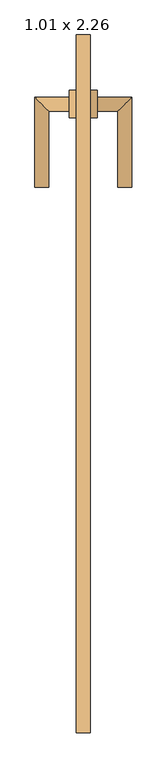
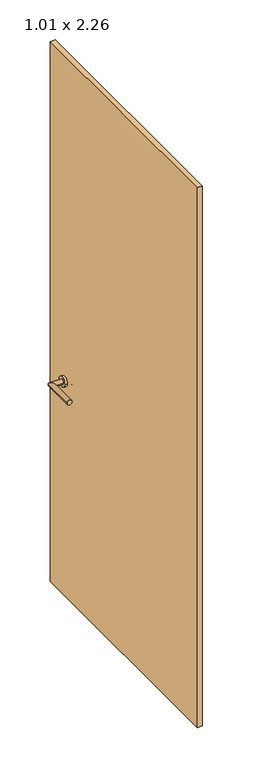
"""IFC4 building model written with IfcOpenShell, lengths in millimetres: door geometry, 1.01 x 2.26."""

from ifc_helpers import new_model, si_unit, point, frame, frame_2d, origin, origin_with_axes, place, context, project, spatial, polyline, circle_curve, ellipse_curve, trimmed, segment, composite_curve, outline, extrude, source, transform, mapped, element, save
from ifc_brep_helpers import plane_surface, cylinder_surface, advanced_brep


def door_1_01_x_2_26_c49b1406(model_context):
    return source(origin(), model_context, "Body", "SolidModel", [
        advanced_brep(
        [(475.0, 1054.4346141, 900.0), (475.0, 1034.4346141, 900.0), (425.0, 1054.4346141, 900.0), (445.0, 1034.4346141, 900.0), (425.0, 924.4346141, 900.0), (445.0, 924.4346141, 900.0)],
        [
            (0, 1, circle_curve(frame((475.0, 1044.4346141, 900.0), z_axis=(1.0, 0.0, 0.0), x_axis=(0.0, -1.0000000000000002, 0.0)), 10.0)),
            (1, 0, circle_curve(frame((475.0, 1044.4346141, 900.0), z_axis=(1.0, 0.0, 0.0), x_axis=(0.0, -1.0000000000000002, 0.0)), 10.0)),
            (0, 2),
            (2, 3, ellipse_curve(frame((435.0, 1044.4346141, 900.0), z_axis=(0.7071067811865551, 0.7071067811865399, 0.0), x_axis=(0.7071067811865399, -0.707106781186555, 0.0)), 14.1421356, 10.0)),
            (3, 1),
            (3, 2, ellipse_curve(frame((435.0, 1044.4346141, 900.0), z_axis=(0.7071067811865551, 0.7071067811865399, 0.0), x_axis=(0.7071067811865399, -0.707106781186555, 0.0)), 14.1421356, 10.0)),
            (4, 5, circle_curve(frame((435.0, 924.4346141, 900.0), z_axis=(0.0, -1.0, 0.0), x_axis=(1.0000000000000002, 0.0, 0.0)), 10.0)),
            (5, 4, circle_curve(frame((435.0, 924.4346141, 900.0), z_axis=(0.0, -1.0, 0.0), x_axis=(1.0000000000000002, 0.0, 0.0)), 10.0)),
            (2, 4),
            (5, 3),
        ],
        [
            plane_surface(frame((475.0, 1044.4346141, -387.7526403), z_axis=(1.0, 0.0, 0.0), x_axis=(0.0, 0.0, 1.0))),
            cylinder_surface(frame((475.0, 1044.4346141, 900.0), z_axis=(1.0000000000000002, 0.0, 0.0), x_axis=(0.0, -1.0000000000000002, 0.0)), 10.0),
            plane_surface(frame((435.0, 924.4346141, -387.7526403), z_axis=(0.0, -1.0, 0.0), x_axis=(0.0, 0.0, 1.0))),
            cylinder_surface(frame((435.0, 1044.4346141, 900.0), z_axis=(0.0, 1.0000000000000002, 0.0), x_axis=(1.0000000000000002, 0.0, 0.0)), 10.0),
        ],
        [
            (0, [[1, 2]]),
            (1, [[-1, 3, 4, 5]]),
            (1, [[-2, -5, 6, -3]]),
            (2, [[7, 8]]),
            (3, [[-4, 9, -8, 10]]),
            (3, [[-6, -10, -7, -9]]),
        ],
    ),
        extrude(outline(composite_curve([segment(trimmed(circle_curve(frame_2d((1044.4346141, 900.0)), 20.0), [point((1064.4346141, 900.0))], [point((1024.4346141, 900.0))], False, "CARTESIAN"), True, "CONTINUOUS"), segment(trimmed(circle_curve(frame_2d((1044.4346141, 900.0)), 20.0), [point((1024.4346141, 900.0))], [point((1064.4346141, 900.0))], False, "CARTESIAN"), True, "CONTINUOUS")], self_intersect=False)), frame((475.0, 0.0, 0.0), z_axis=(1.0, 0.0, 0.0), x_axis=(0.0, 1.0, 0.0)), (0.0, 0.0, 1.0), 10.0),
        advanced_brep(
        [(515.0, 1034.4346141, 900.0), (515.0, 1054.4346141, 900.0), (545.0, 1034.4346141, 900.0), (565.0, 1054.4346141, 900.0), (545.0, 924.4346141, 900.0), (565.0, 924.4346141, 900.0)],
        [
            (0, 1, circle_curve(frame((515.0, 1044.4346141, 900.0), z_axis=(-1.0, 0.0, 0.0), x_axis=(0.0, 1.0000000000000002, 0.0)), 10.0)),
            (1, 0, circle_curve(frame((515.0, 1044.4346141, 900.0), z_axis=(-1.0, 0.0, 0.0), x_axis=(0.0, 1.0000000000000002, 0.0)), 10.0)),
            (0, 2),
            (2, 3, ellipse_curve(frame((555.0, 1044.4346141, 900.0), z_axis=(-0.7071067811865488, 0.7071067811865462, 0.0), x_axis=(-0.7071067811865462, -0.7071067811865487, 0.0)), 14.1421356, 10.0)),
            (3, 1),
            (3, 2, ellipse_curve(frame((555.0, 1044.4346141, 900.0), z_axis=(-0.7071067811865488, 0.7071067811865462, 0.0), x_axis=(-0.7071067811865462, -0.7071067811865487, 0.0)), 14.1421356, 10.0)),
            (4, 5, circle_curve(frame((555.0, 924.4346141, 900.0), z_axis=(0.0, -1.0, 0.0), x_axis=(1.0000000000000002, 0.0, 0.0)), 10.0)),
            (5, 4, circle_curve(frame((555.0, 924.4346141, 900.0), z_axis=(0.0, -1.0, 0.0), x_axis=(1.0000000000000002, 0.0, 0.0)), 10.0)),
            (2, 4),
            (5, 3),
        ],
        [
            plane_surface(frame((515.0, 1044.4346141, -387.7526403), z_axis=(-1.0, 0.0, 0.0), x_axis=(0.0, 0.0, 1.0))),
            cylinder_surface(frame((515.0, 1044.4346141, 900.0), z_axis=(-1.0000000000000002, 0.0, 0.0), x_axis=(0.0, 1.0000000000000002, 0.0)), 10.0),
            plane_surface(frame((555.0, 924.4346141, -387.7526403), z_axis=(0.0, -1.0, 0.0), x_axis=(0.0, 0.0, 1.0))),
            cylinder_surface(frame((555.0, 1044.4346141, 900.0), z_axis=(0.0, 1.0000000000000002, 0.0), x_axis=(1.0000000000000002, 0.0, 0.0)), 10.0),
        ],
        [
            (0, [[1, 2]]),
            (1, [[-1, 3, 4, 5]]),
            (1, [[-2, -5, 6, -3]]),
            (2, [[7, 8]]),
            (3, [[-4, 9, -8, 10]]),
            (3, [[-6, -10, -7, -9]]),
        ],
    ),
        extrude(outline(composite_curve([segment(trimmed(circle_curve(frame_2d((1044.4346141, 900.0)), 20.0), [point((1064.4346141, 900.0))], [point((1024.4346141, 900.0))], False, "CARTESIAN"), True, "CONTINUOUS"), segment(trimmed(circle_curve(frame_2d((1044.4346141, 900.0)), 20.0), [point((1024.4346141, 900.0))], [point((1064.4346141, 900.0))], False, "CARTESIAN"), True, "CONTINUOUS")], self_intersect=False)), frame((505.0, 0.0, 0.0), z_axis=(1.0, 0.0, 0.0), x_axis=(0.0, 1.0, 0.0)), (0.0, 0.0, 1.0), 10.0),
        extrude(outline(polyline([(485.0, 134.4346141), (485.0, 1144.4346141), (505.0, 1144.4346141), (505.0, 134.4346141), (485.0, 134.4346141)])), origin_with_axes(), (0.0, 0.0, 1.0), 2260.0),
    ])


if __name__ == "__main__":
    model = new_model("IFC4")
    model_context = context("Model", 3, world=origin())
    ifc_project = project(units=[si_unit("LENGTHUNIT", "METRE", prefix="MILLI")], contexts=[model_context])
    site = spatial("IfcSite", under=ifc_project)
    building = spatial("IfcBuilding", under=site)
    placement = place(None, origin())
    door_1_01_x_2_26_shape = door_1_01_x_2_26_c49b1406(model_context)
    element("IfcDoor", 1, ObjectType="1.01 x 2.26", at=placement, inside=building, context=model_context, shape_type="MappedRepresentation", body=[
        mapped(door_1_01_x_2_26_shape, transform((0.0, 0.0, 0.0), x_axis=(1.0, 0.0, 0.0), y_axis=(0.0, 1.0, 0.0), z_axis=(0.0, 0.0, 1.0))),
    ])
    save(model, "model.ifc")
